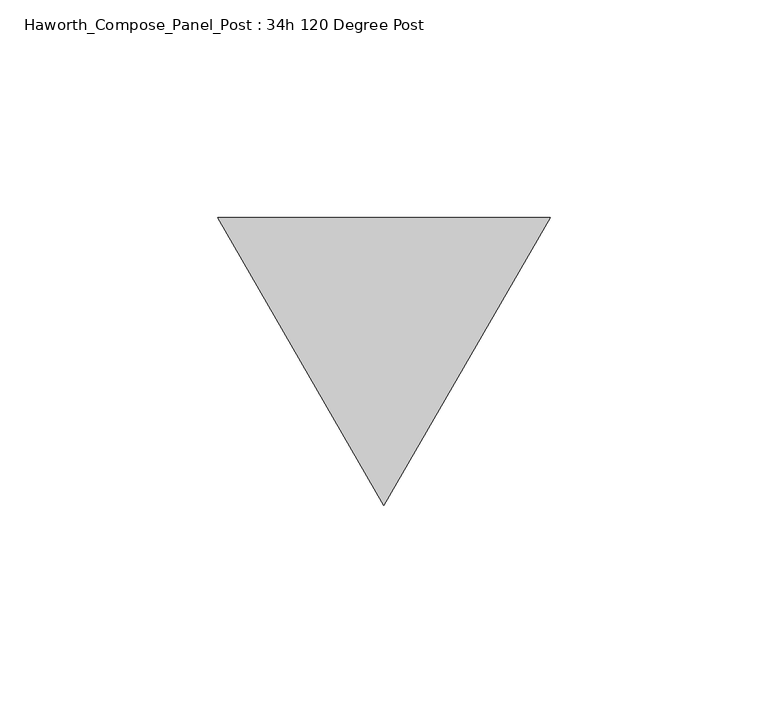
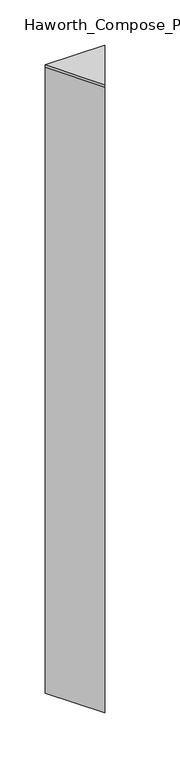
"""IFC4 building model written with IfcOpenShell, lengths in millimetres: furniture geometry, Haworth_Compose_Panel_Post : 34h 120 Degree Post."""

from ifc_helpers import new_model, si_unit, frame, origin, place, context, project, spatial, polyline, outline, extrude, source, transform, mapped, element, save


def haworth_compose_panel_post_34h_120_degree_post_dc952032(model_context):
    return source(origin(), model_context, "Body", "SweptSolid", [
        extrude(outline(polyline([(76.2, 32.9955679), (38.1, -32.9955679), (0.0, 32.9955679), (76.2, 32.9955679)])), frame((0.0, 0.0, 857.25), z_axis=(0.0, 0.0, 1.0), x_axis=(1.0, 0.0, 0.0)), (0.0, 0.0, 1.0), 3.175),
        extrude(outline(polyline([(76.2, 32.9955679), (38.1, -32.9955679), (0.0, 32.9955679), (76.2, 32.9955679)])), frame((0.0, 0.0, 12.7), z_axis=(0.0, 0.0, 1.0), x_axis=(1.0, 0.0, 0.0)), (0.0, 0.0, 1.0), 844.55),
    ])


if __name__ == "__main__":
    model = new_model("IFC4")
    model_context = context("Model", 3, world=origin())
    ifc_project = project(units=[si_unit("LENGTHUNIT", "METRE", prefix="MILLI")], contexts=[model_context])
    site = spatial("IfcSite", under=ifc_project)
    building = spatial("IfcBuilding", under=site)
    placement = place(None, origin())
    haworth_compose_panel_post_34h_120_degree_post_shape = haworth_compose_panel_post_34h_120_degree_post_dc952032(model_context)
    element("IfcFurniture", 1, ObjectType="Haworth_Compose_Panel_Post : 34h 120 Degree Post", at=placement, inside=building, context=model_context, shape_type="MappedRepresentation", body=[
        mapped(haworth_compose_panel_post_34h_120_degree_post_shape, transform((0.0, 0.0, 0.0), x_axis=(1.0, 0.0, 0.0), y_axis=(0.0, 1.0, 0.0), z_axis=(0.0, 0.0, 1.0))),
    ])
    save(model, "model.ifc")
